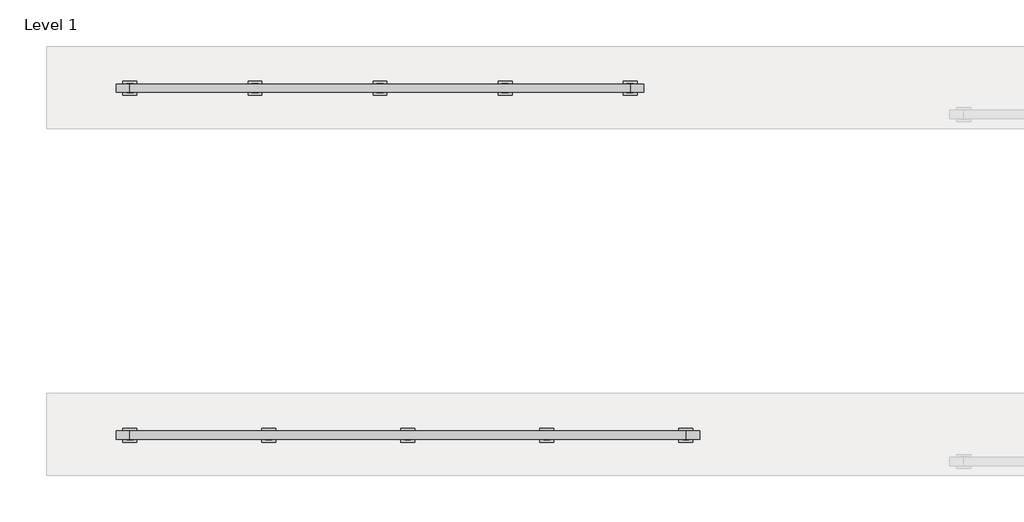
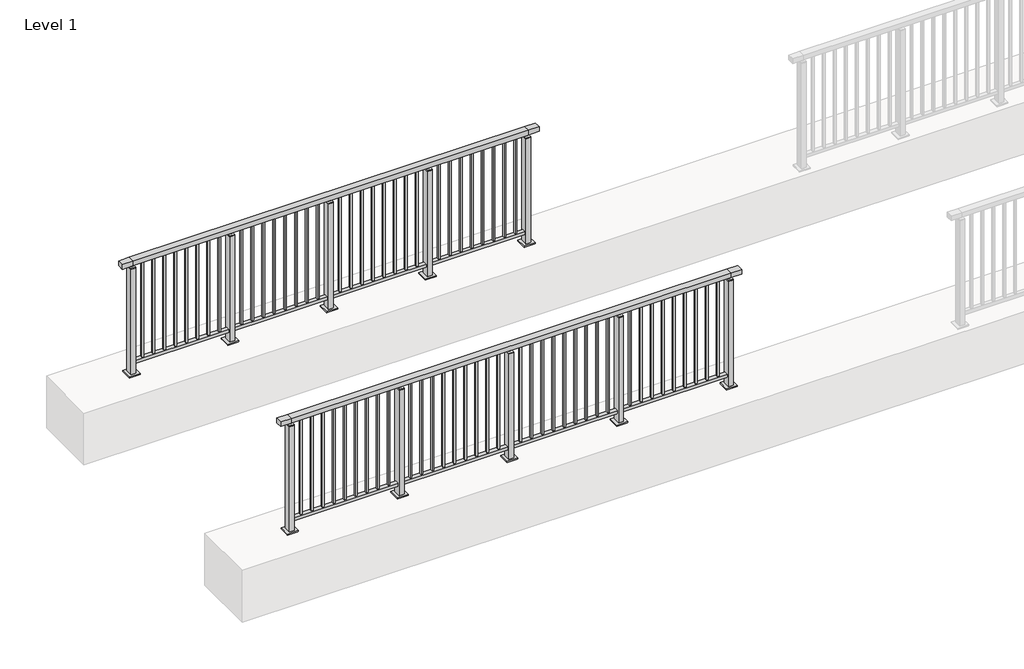
# One storey, part 12 of 37: 2 railings.
"""IFC4 building model written with IfcOpenShell, lengths in millimetres."""

from ifc_helpers import new_model, si_unit, frame, origin, origin_with_axes, place, context, project, spatial, polyline, outline, extrude, faceted_brep, element, save

model = new_model("IFC4")

# Units and contexts
model_context = context("Model", 3, world=origin())
ifc_project = project(units=[si_unit("LENGTHUNIT", "METRE", prefix="MILLI")], contexts=[model_context])

# Site, building, storey
site = spatial("IfcSite", under=ifc_project)
building = spatial("IfcBuilding", under=site)
storey = spatial("IfcBuildingStorey", under=building, Name="Level 1", Elevation=0.0)

# Railings
placement = place(None, origin())
element("IfcRailing", 1, at=placement, inside=storey, context=model_context, shape_type="SolidModel", body=[
    faceted_brep([(0.0, 17720.1846828, 1055.0), (0.0, 17720.1846828, 1100.0), (4000.0, 17720.1846828, 1100.0), (4000.0, 17720.1846828, 1055.0), (0.0, 17660.1846828, 1055.0), (4000.0, 17660.1846828, 1055.0), (0.0, 17660.1846828, 1100.0), (4000.0, 17660.1846828, 1100.0), (-100.0, 17720.1846828, 1100.0), (-100.0, 17720.1846828, 1055.0), (-100.0, 17660.1846828, 1055.0), (-100.0, 17660.1846828, 1100.0), (4100.0, 17720.1846828, 1100.0), (4100.0, 17660.1846828, 1100.0), (4100.0, 17660.1846828, 1055.0), (4100.0, 17720.1846828, 1055.0)], [[[0, 1, 2, 3]], [[4, 0, 3, 5]], [[6, 4, 5, 7]], [[1, 6, 7, 2]], [[8, 9, 10, 11]], [[9, 8, 1, 0]], [[10, 9, 0, 4]], [[11, 10, 4, 6]], [[8, 11, 6, 1]], [[12, 13, 14, 15]], [[3, 2, 12, 15]], [[5, 3, 15, 14]], [[7, 5, 14, 13]], [[2, 7, 13, 12]]]),
    extrude(outline(polyline([(0.0, 17672.6846828), (0.0, 17707.6846828), (4000.0, 17707.6846828), (4000.0, 17672.6846828), (0.0, 17672.6846828)])), frame((0.0, 0.0, 95.0), z_axis=(0.0, 0.0, 1.0), x_axis=(1.0, 0.0, 0.0)), (0.0, 0.0, 1.0), 30.0),
    extrude(outline(polyline([(3908.5, 17698.6846828), (3908.5, 17681.6846828), (3891.5, 17681.6846828), (3891.5, 17698.6846828), (3908.5, 17698.6846828)])), frame((0.0, 0.0, 125.0), z_axis=(0.0, 0.0, 1.0), x_axis=(1.0, 0.0, 0.0)), (0.0, 0.0, 1.0), 930.0),
    extrude(outline(polyline([(3808.5, 17698.6846828), (3808.5, 17681.6846828), (3791.5, 17681.6846828), (3791.5, 17698.6846828), (3808.5, 17698.6846828)])), frame((0.0, 0.0, 125.0), z_axis=(0.0, 0.0, 1.0), x_axis=(1.0, 0.0, 0.0)), (0.0, 0.0, 1.0), 930.0),
    extrude(outline(polyline([(3708.5, 17698.6846828), (3708.5, 17681.6846828), (3691.5, 17681.6846828), (3691.5, 17698.6846828), (3708.5, 17698.6846828)])), frame((0.0, 0.0, 125.0), z_axis=(0.0, 0.0, 1.0), x_axis=(1.0, 0.0, 0.0)), (0.0, 0.0, 1.0), 930.0),
    extrude(outline(polyline([(3608.5, 17698.6846828), (3608.5, 17681.6846828), (3591.5, 17681.6846828), (3591.5, 17698.6846828), (3608.5, 17698.6846828)])), frame((0.0, 0.0, 125.0), z_axis=(0.0, 0.0, 1.0), x_axis=(1.0, 0.0, 0.0)), (0.0, 0.0, 1.0), 930.0),
    extrude(outline(polyline([(3508.5, 17698.6846828), (3508.5, 17681.6846828), (3491.5, 17681.6846828), (3491.5, 17698.6846828), (3508.5, 17698.6846828)])), frame((0.0, 0.0, 125.0), z_axis=(0.0, 0.0, 1.0), x_axis=(1.0, 0.0, 0.0)), (0.0, 0.0, 1.0), 930.0),
    extrude(outline(polyline([(3408.5, 17698.6846828), (3408.5, 17681.6846828), (3391.5, 17681.6846828), (3391.5, 17698.6846828), (3408.5, 17698.6846828)])), frame((0.0, 0.0, 125.0), z_axis=(0.0, 0.0, 1.0), x_axis=(1.0, 0.0, 0.0)), (0.0, 0.0, 1.0), 930.0),
    extrude(outline(polyline([(3308.5, 17698.6846828), (3308.5, 17681.6846828), (3291.5, 17681.6846828), (3291.5, 17698.6846828), (3308.5, 17698.6846828)])), frame((0.0, 0.0, 125.0), z_axis=(0.0, 0.0, 1.0), x_axis=(1.0, 0.0, 0.0)), (0.0, 0.0, 1.0), 930.0),
    extrude(outline(polyline([(3208.5, 17698.6846828), (3208.5, 17681.6846828), (3191.5, 17681.6846828), (3191.5, 17698.6846828), (3208.5, 17698.6846828)])), frame((0.0, 0.0, 125.0), z_axis=(0.0, 0.0, 1.0), x_axis=(1.0, 0.0, 0.0)), (0.0, 0.0, 1.0), 930.0),
    extrude(outline(polyline([(3108.5, 17698.6846828), (3108.5, 17681.6846828), (3091.5, 17681.6846828), (3091.5, 17698.6846828), (3108.5, 17698.6846828)])), frame((0.0, 0.0, 125.0), z_axis=(0.0, 0.0, 1.0), x_axis=(1.0, 0.0, 0.0)), (0.0, 0.0, 1.0), 930.0),
    extrude(outline(polyline([(3010.0, 17680.1846828), (2990.0, 17680.1846828), (2990.0, 17700.1846828), (3010.0, 17700.1846828), (3010.0, 17680.1846828)])), frame((0.0, 0.0, 1035.0), z_axis=(0.0, 0.0, 1.0), x_axis=(1.0, 0.0, 0.0)), (0.0, 0.0, 1.0), 20.0),
    extrude(outline(polyline([(3022.5, 17657.6846828), (2977.5, 17657.6846828), (2977.5, 17722.6846828), (3022.5, 17722.6846828), (3022.5, 17657.6846828)])), frame((0.0, 0.0, 1027.0), z_axis=(0.0, 0.0, 1.0), x_axis=(1.0, 0.0, 0.0)), (0.0, 0.0, 1.0), 8.0),
    extrude(outline(polyline([(3050.0, 17640.1846828), (2950.0, 17640.1846828), (2950.0, 17740.1846828), (3050.0, 17740.1846828), (3050.0, 17640.1846828)])), origin_with_axes(), (0.0, 0.0, 1.0), 12.0),
    extrude(outline(polyline([(3022.5, 17657.6846828), (2977.5, 17657.6846828), (2977.5, 17722.6846828), (3022.5, 17722.6846828), (3022.5, 17657.6846828)])), frame((0.0, 0.0, 12.0), z_axis=(0.0, 0.0, 1.0), x_axis=(1.0, 0.0, 0.0)), (0.0, 0.0, 1.0), 1015.0),
    extrude(outline(polyline([(2908.5, 17698.6846828), (2908.5, 17681.6846828), (2891.5, 17681.6846828), (2891.5, 17698.6846828), (2908.5, 17698.6846828)])), frame((0.0, 0.0, 125.0), z_axis=(0.0, 0.0, 1.0), x_axis=(1.0, 0.0, 0.0)), (0.0, 0.0, 1.0), 930.0),
    extrude(outline(polyline([(2808.5, 17698.6846828), (2808.5, 17681.6846828), (2791.5, 17681.6846828), (2791.5, 17698.6846828), (2808.5, 17698.6846828)])), frame((0.0, 0.0, 125.0), z_axis=(0.0, 0.0, 1.0), x_axis=(1.0, 0.0, 0.0)), (0.0, 0.0, 1.0), 930.0),
    extrude(outline(polyline([(2708.5, 17698.6846828), (2708.5, 17681.6846828), (2691.5, 17681.6846828), (2691.5, 17698.6846828), (2708.5, 17698.6846828)])), frame((0.0, 0.0, 125.0), z_axis=(0.0, 0.0, 1.0), x_axis=(1.0, 0.0, 0.0)), (0.0, 0.0, 1.0), 930.0),
    extrude(outline(polyline([(2608.5, 17698.6846828), (2608.5, 17681.6846828), (2591.5, 17681.6846828), (2591.5, 17698.6846828), (2608.5, 17698.6846828)])), frame((0.0, 0.0, 125.0), z_axis=(0.0, 0.0, 1.0), x_axis=(1.0, 0.0, 0.0)), (0.0, 0.0, 1.0), 930.0),
    extrude(outline(polyline([(2508.5, 17698.6846828), (2508.5, 17681.6846828), (2491.5, 17681.6846828), (2491.5, 17698.6846828), (2508.5, 17698.6846828)])), frame((0.0, 0.0, 125.0), z_axis=(0.0, 0.0, 1.0), x_axis=(1.0, 0.0, 0.0)), (0.0, 0.0, 1.0), 930.0),
    extrude(outline(polyline([(2408.5, 17698.6846828), (2408.5, 17681.6846828), (2391.5, 17681.6846828), (2391.5, 17698.6846828), (2408.5, 17698.6846828)])), frame((0.0, 0.0, 125.0), z_axis=(0.0, 0.0, 1.0), x_axis=(1.0, 0.0, 0.0)), (0.0, 0.0, 1.0), 930.0),
    extrude(outline(polyline([(2308.5, 17698.6846828), (2308.5, 17681.6846828), (2291.5, 17681.6846828), (2291.5, 17698.6846828), (2308.5, 17698.6846828)])), frame((0.0, 0.0, 125.0), z_axis=(0.0, 0.0, 1.0), x_axis=(1.0, 0.0, 0.0)), (0.0, 0.0, 1.0), 930.0),
    extrude(outline(polyline([(2208.5, 17698.6846828), (2208.5, 17681.6846828), (2191.5, 17681.6846828), (2191.5, 17698.6846828), (2208.5, 17698.6846828)])), frame((0.0, 0.0, 125.0), z_axis=(0.0, 0.0, 1.0), x_axis=(1.0, 0.0, 0.0)), (0.0, 0.0, 1.0), 930.0),
    extrude(outline(polyline([(2108.5, 17698.6846828), (2108.5, 17681.6846828), (2091.5, 17681.6846828), (2091.5, 17698.6846828), (2108.5, 17698.6846828)])), frame((0.0, 0.0, 125.0), z_axis=(0.0, 0.0, 1.0), x_axis=(1.0, 0.0, 0.0)), (0.0, 0.0, 1.0), 930.0),
    extrude(outline(polyline([(2010.0, 17680.1846828), (1990.0, 17680.1846828), (1990.0, 17700.1846828), (2010.0, 17700.1846828), (2010.0, 17680.1846828)])), frame((0.0, 0.0, 1035.0), z_axis=(0.0, 0.0, 1.0), x_axis=(1.0, 0.0, 0.0)), (0.0, 0.0, 1.0), 20.0),
    extrude(outline(polyline([(2022.5, 17657.6846828), (1977.5, 17657.6846828), (1977.5, 17722.6846828), (2022.5, 17722.6846828), (2022.5, 17657.6846828)])), frame((0.0, 0.0, 1027.0), z_axis=(0.0, 0.0, 1.0), x_axis=(1.0, 0.0, 0.0)), (0.0, 0.0, 1.0), 8.0),
    extrude(outline(polyline([(2050.0, 17640.1846828), (1950.0, 17640.1846828), (1950.0, 17740.1846828), (2050.0, 17740.1846828), (2050.0, 17640.1846828)])), origin_with_axes(), (0.0, 0.0, 1.0), 12.0),
    extrude(outline(polyline([(2022.5, 17657.6846828), (1977.5, 17657.6846828), (1977.5, 17722.6846828), (2022.5, 17722.6846828), (2022.5, 17657.6846828)])), frame((0.0, 0.0, 12.0), z_axis=(0.0, 0.0, 1.0), x_axis=(1.0, 0.0, 0.0)), (0.0, 0.0, 1.0), 1015.0),
    extrude(outline(polyline([(1908.5, 17698.6846828), (1908.5, 17681.6846828), (1891.5, 17681.6846828), (1891.5, 17698.6846828), (1908.5, 17698.6846828)])), frame((0.0, 0.0, 125.0), z_axis=(0.0, 0.0, 1.0), x_axis=(1.0, 0.0, 0.0)), (0.0, 0.0, 1.0), 930.0),
    extrude(outline(polyline([(1808.5, 17698.6846828), (1808.5, 17681.6846828), (1791.5, 17681.6846828), (1791.5, 17698.6846828), (1808.5, 17698.6846828)])), frame((0.0, 0.0, 125.0), z_axis=(0.0, 0.0, 1.0), x_axis=(1.0, 0.0, 0.0)), (0.0, 0.0, 1.0), 930.0),
    extrude(outline(polyline([(1708.5, 17698.6846828), (1708.5, 17681.6846828), (1691.5, 17681.6846828), (1691.5, 17698.6846828), (1708.5, 17698.6846828)])), frame((0.0, 0.0, 125.0), z_axis=(0.0, 0.0, 1.0), x_axis=(1.0, 0.0, 0.0)), (0.0, 0.0, 1.0), 930.0),
    extrude(outline(polyline([(1608.5, 17698.6846828), (1608.5, 17681.6846828), (1591.5, 17681.6846828), (1591.5, 17698.6846828), (1608.5, 17698.6846828)])), frame((0.0, 0.0, 125.0), z_axis=(0.0, 0.0, 1.0), x_axis=(1.0, 0.0, 0.0)), (0.0, 0.0, 1.0), 930.0),
    extrude(outline(polyline([(1508.5, 17698.6846828), (1508.5, 17681.6846828), (1491.5, 17681.6846828), (1491.5, 17698.6846828), (1508.5, 17698.6846828)])), frame((0.0, 0.0, 125.0), z_axis=(0.0, 0.0, 1.0), x_axis=(1.0, 0.0, 0.0)), (0.0, 0.0, 1.0), 930.0),
    extrude(outline(polyline([(1408.5, 17698.6846828), (1408.5, 17681.6846828), (1391.5, 17681.6846828), (1391.5, 17698.6846828), (1408.5, 17698.6846828)])), frame((0.0, 0.0, 125.0), z_axis=(0.0, 0.0, 1.0), x_axis=(1.0, 0.0, 0.0)), (0.0, 0.0, 1.0), 930.0),
    extrude(outline(polyline([(1308.5, 17698.6846828), (1308.5, 17681.6846828), (1291.5, 17681.6846828), (1291.5, 17698.6846828), (1308.5, 17698.6846828)])), frame((0.0, 0.0, 125.0), z_axis=(0.0, 0.0, 1.0), x_axis=(1.0, 0.0, 0.0)), (0.0, 0.0, 1.0), 930.0),
    extrude(outline(polyline([(1208.5, 17698.6846828), (1208.5, 17681.6846828), (1191.5, 17681.6846828), (1191.5, 17698.6846828), (1208.5, 17698.6846828)])), frame((0.0, 0.0, 125.0), z_axis=(0.0, 0.0, 1.0), x_axis=(1.0, 0.0, 0.0)), (0.0, 0.0, 1.0), 930.0),
    extrude(outline(polyline([(1108.5, 17698.6846828), (1108.5, 17681.6846828), (1091.5, 17681.6846828), (1091.5, 17698.6846828), (1108.5, 17698.6846828)])), frame((0.0, 0.0, 125.0), z_axis=(0.0, 0.0, 1.0), x_axis=(1.0, 0.0, 0.0)), (0.0, 0.0, 1.0), 930.0),
    extrude(outline(polyline([(1010.0, 17680.1846828), (990.0, 17680.1846828), (990.0, 17700.1846828), (1010.0, 17700.1846828), (1010.0, 17680.1846828)])), frame((0.0, 0.0, 1035.0), z_axis=(0.0, 0.0, 1.0), x_axis=(1.0, 0.0, 0.0)), (0.0, 0.0, 1.0), 20.0),
    extrude(outline(polyline([(1022.5, 17657.6846828), (977.5, 17657.6846828), (977.5, 17722.6846828), (1022.5, 17722.6846828), (1022.5, 17657.6846828)])), frame((0.0, 0.0, 1027.0), z_axis=(0.0, 0.0, 1.0), x_axis=(1.0, 0.0, 0.0)), (0.0, 0.0, 1.0), 8.0),
    extrude(outline(polyline([(1050.0, 17640.1846828), (950.0, 17640.1846828), (950.0, 17740.1846828), (1050.0, 17740.1846828), (1050.0, 17640.1846828)])), origin_with_axes(), (0.0, 0.0, 1.0), 12.0),
    extrude(outline(polyline([(1022.5, 17657.6846828), (977.5, 17657.6846828), (977.5, 17722.6846828), (1022.5, 17722.6846828), (1022.5, 17657.6846828)])), frame((0.0, 0.0, 12.0), z_axis=(0.0, 0.0, 1.0), x_axis=(1.0, 0.0, 0.0)), (0.0, 0.0, 1.0), 1015.0),
    extrude(outline(polyline([(908.5, 17698.6846828), (908.5, 17681.6846828), (891.5, 17681.6846828), (891.5, 17698.6846828), (908.5, 17698.6846828)])), frame((0.0, 0.0, 125.0), z_axis=(0.0, 0.0, 1.0), x_axis=(1.0, 0.0, 0.0)), (0.0, 0.0, 1.0), 930.0),
    extrude(outline(polyline([(808.5, 17698.6846828), (808.5, 17681.6846828), (791.5, 17681.6846828), (791.5, 17698.6846828), (808.5, 17698.6846828)])), frame((0.0, 0.0, 125.0), z_axis=(0.0, 0.0, 1.0), x_axis=(1.0, 0.0, 0.0)), (0.0, 0.0, 1.0), 930.0),
    extrude(outline(polyline([(708.5, 17698.6846828), (708.5, 17681.6846828), (691.5, 17681.6846828), (691.5, 17698.6846828), (708.5, 17698.6846828)])), frame((0.0, 0.0, 125.0), z_axis=(0.0, 0.0, 1.0), x_axis=(1.0, 0.0, 0.0)), (0.0, 0.0, 1.0), 930.0),
    extrude(outline(polyline([(608.5, 17698.6846828), (608.5, 17681.6846828), (591.5, 17681.6846828), (591.5, 17698.6846828), (608.5, 17698.6846828)])), frame((0.0, 0.0, 125.0), z_axis=(0.0, 0.0, 1.0), x_axis=(1.0, 0.0, 0.0)), (0.0, 0.0, 1.0), 930.0),
    extrude(outline(polyline([(508.5, 17698.6846828), (508.5, 17681.6846828), (491.5, 17681.6846828), (491.5, 17698.6846828), (508.5, 17698.6846828)])), frame((0.0, 0.0, 125.0), z_axis=(0.0, 0.0, 1.0), x_axis=(1.0, 0.0, 0.0)), (0.0, 0.0, 1.0), 930.0),
    extrude(outline(polyline([(408.5, 17698.6846828), (408.5, 17681.6846828), (391.5, 17681.6846828), (391.5, 17698.6846828), (408.5, 17698.6846828)])), frame((0.0, 0.0, 125.0), z_axis=(0.0, 0.0, 1.0), x_axis=(1.0, 0.0, 0.0)), (0.0, 0.0, 1.0), 930.0),
    extrude(outline(polyline([(308.5, 17698.6846828), (308.5, 17681.6846828), (291.5, 17681.6846828), (291.5, 17698.6846828), (308.5, 17698.6846828)])), frame((0.0, 0.0, 125.0), z_axis=(0.0, 0.0, 1.0), x_axis=(1.0, 0.0, 0.0)), (0.0, 0.0, 1.0), 930.0),
    extrude(outline(polyline([(208.5, 17698.6846828), (208.5, 17681.6846828), (191.5, 17681.6846828), (191.5, 17698.6846828), (208.5, 17698.6846828)])), frame((0.0, 0.0, 125.0), z_axis=(0.0, 0.0, 1.0), x_axis=(1.0, 0.0, 0.0)), (0.0, 0.0, 1.0), 930.0),
    extrude(outline(polyline([(108.5, 17698.6846828), (108.5, 17681.6846828), (91.5, 17681.6846828), (91.5, 17698.6846828), (108.5, 17698.6846828)])), frame((0.0, 0.0, 125.0), z_axis=(0.0, 0.0, 1.0), x_axis=(1.0, 0.0, 0.0)), (0.0, 0.0, 1.0), 930.0),
    extrude(outline(polyline([(4010.0, 17680.1846828), (3990.0, 17680.1846828), (3990.0, 17700.1846828), (4010.0, 17700.1846828), (4010.0, 17680.1846828)])), frame((0.0, 0.0, 1035.0), z_axis=(0.0, 0.0, 1.0), x_axis=(1.0, 0.0, 0.0)), (0.0, 0.0, 1.0), 20.0),
    extrude(outline(polyline([(4022.5, 17657.6846828), (3977.5, 17657.6846828), (3977.5, 17722.6846828), (4022.5, 17722.6846828), (4022.5, 17657.6846828)])), frame((0.0, 0.0, 1027.0), z_axis=(0.0, 0.0, 1.0), x_axis=(1.0, 0.0, 0.0)), (0.0, 0.0, 1.0), 8.0),
    extrude(outline(polyline([(4050.0, 17640.1846828), (3950.0, 17640.1846828), (3950.0, 17740.1846828), (4050.0, 17740.1846828), (4050.0, 17640.1846828)])), origin_with_axes(), (0.0, 0.0, 1.0), 12.0),
    extrude(outline(polyline([(4022.5, 17657.6846828), (3977.5, 17657.6846828), (3977.5, 17722.6846828), (4022.5, 17722.6846828), (4022.5, 17657.6846828)])), frame((0.0, 0.0, 12.0), z_axis=(0.0, 0.0, 1.0), x_axis=(1.0, 0.0, 0.0)), (0.0, 0.0, 1.0), 1015.0),
    extrude(outline(polyline([(10.0, 17680.1846828), (-10.0, 17680.1846828), (-10.0, 17700.1846828), (10.0, 17700.1846828), (10.0, 17680.1846828)])), frame((0.0, 0.0, 1035.0), z_axis=(0.0, 0.0, 1.0), x_axis=(1.0, 0.0, 0.0)), (0.0, 0.0, 1.0), 20.0),
    extrude(outline(polyline([(22.5, 17657.6846828), (-22.5, 17657.6846828), (-22.5, 17722.6846828), (22.5, 17722.6846828), (22.5, 17657.6846828)])), frame((0.0, 0.0, 1027.0), z_axis=(0.0, 0.0, 1.0), x_axis=(1.0, 0.0, 0.0)), (0.0, 0.0, 1.0), 8.0),
    extrude(outline(polyline([(50.0, 17640.1846828), (-50.0, 17640.1846828), (-50.0, 17740.1846828), (50.0, 17740.1846828), (50.0, 17640.1846828)])), origin_with_axes(), (0.0, 0.0, 1.0), 12.0),
    extrude(outline(polyline([(22.5, 17657.6846828), (-22.5, 17657.6846828), (-22.5, 17722.6846828), (22.5, 17722.6846828), (22.5, 17657.6846828)])), frame((0.0, 0.0, 12.0), z_axis=(0.0, 0.0, 1.0), x_axis=(1.0, 0.0, 0.0)), (0.0, 0.0, 1.0), 1015.0),
])
element("IfcRailing", 2, at=placement, inside=storey, context=model_context, shape_type="SolidModel", body=[
    faceted_brep([(0.0, 20220.1846828, 1055.0), (0.0, 20220.1846828, 1100.0), (3600.0, 20220.1846828, 1100.0), (3600.0, 20220.1846828, 1055.0), (0.0, 20160.1846828, 1055.0), (3600.0, 20160.1846828, 1055.0), (0.0, 20160.1846828, 1100.0), (3600.0, 20160.1846828, 1100.0), (-100.0, 20220.1846828, 1100.0), (-100.0, 20220.1846828, 1055.0), (-100.0, 20160.1846828, 1055.0), (-100.0, 20160.1846828, 1100.0), (3700.0, 20220.1846828, 1100.0), (3700.0, 20160.1846828, 1100.0), (3700.0, 20160.1846828, 1055.0), (3700.0, 20220.1846828, 1055.0)], [[[0, 1, 2, 3]], [[4, 0, 3, 5]], [[6, 4, 5, 7]], [[1, 6, 7, 2]], [[8, 9, 10, 11]], [[9, 8, 1, 0]], [[10, 9, 0, 4]], [[11, 10, 4, 6]], [[8, 11, 6, 1]], [[12, 13, 14, 15]], [[3, 2, 12, 15]], [[5, 3, 15, 14]], [[7, 5, 14, 13]], [[2, 7, 13, 12]]]),
    extrude(outline(polyline([(0.0, 20172.6846828), (0.0, 20207.6846828), (3600.0, 20207.6846828), (3600.0, 20172.6846828), (0.0, 20172.6846828)])), frame((0.0, 0.0, 95.0), z_axis=(0.0, 0.0, 1.0), x_axis=(1.0, 0.0, 0.0)), (0.0, 0.0, 1.0), 30.0),
    extrude(outline(polyline([(3508.5, 20198.6846828), (3508.5, 20181.6846828), (3491.5, 20181.6846828), (3491.5, 20198.6846828), (3508.5, 20198.6846828)])), frame((0.0, 0.0, 125.0), z_axis=(0.0, 0.0, 1.0), x_axis=(1.0, 0.0, 0.0)), (0.0, 0.0, 1.0), 930.0),
    extrude(outline(polyline([(3408.5, 20198.6846828), (3408.5, 20181.6846828), (3391.5, 20181.6846828), (3391.5, 20198.6846828), (3408.5, 20198.6846828)])), frame((0.0, 0.0, 125.0), z_axis=(0.0, 0.0, 1.0), x_axis=(1.0, 0.0, 0.0)), (0.0, 0.0, 1.0), 930.0),
    extrude(outline(polyline([(3308.5, 20198.6846828), (3308.5, 20181.6846828), (3291.5, 20181.6846828), (3291.5, 20198.6846828), (3308.5, 20198.6846828)])), frame((0.0, 0.0, 125.0), z_axis=(0.0, 0.0, 1.0), x_axis=(1.0, 0.0, 0.0)), (0.0, 0.0, 1.0), 930.0),
    extrude(outline(polyline([(3208.5, 20198.6846828), (3208.5, 20181.6846828), (3191.5, 20181.6846828), (3191.5, 20198.6846828), (3208.5, 20198.6846828)])), frame((0.0, 0.0, 125.0), z_axis=(0.0, 0.0, 1.0), x_axis=(1.0, 0.0, 0.0)), (0.0, 0.0, 1.0), 930.0),
    extrude(outline(polyline([(3108.5, 20198.6846828), (3108.5, 20181.6846828), (3091.5, 20181.6846828), (3091.5, 20198.6846828), (3108.5, 20198.6846828)])), frame((0.0, 0.0, 125.0), z_axis=(0.0, 0.0, 1.0), x_axis=(1.0, 0.0, 0.0)), (0.0, 0.0, 1.0), 930.0),
    extrude(outline(polyline([(3008.5, 20198.6846828), (3008.5, 20181.6846828), (2991.5, 20181.6846828), (2991.5, 20198.6846828), (3008.5, 20198.6846828)])), frame((0.0, 0.0, 125.0), z_axis=(0.0, 0.0, 1.0), x_axis=(1.0, 0.0, 0.0)), (0.0, 0.0, 1.0), 930.0),
    extrude(outline(polyline([(2908.5, 20198.6846828), (2908.5, 20181.6846828), (2891.5, 20181.6846828), (2891.5, 20198.6846828), (2908.5, 20198.6846828)])), frame((0.0, 0.0, 125.0), z_axis=(0.0, 0.0, 1.0), x_axis=(1.0, 0.0, 0.0)), (0.0, 0.0, 1.0), 930.0),
    extrude(outline(polyline([(2808.5, 20198.6846828), (2808.5, 20181.6846828), (2791.5, 20181.6846828), (2791.5, 20198.6846828), (2808.5, 20198.6846828)])), frame((0.0, 0.0, 125.0), z_axis=(0.0, 0.0, 1.0), x_axis=(1.0, 0.0, 0.0)), (0.0, 0.0, 1.0), 930.0),
    extrude(outline(polyline([(2710.0, 20180.1846828), (2690.0, 20180.1846828), (2690.0, 20200.1846828), (2710.0, 20200.1846828), (2710.0, 20180.1846828)])), frame((0.0, 0.0, 1035.0), z_axis=(0.0, 0.0, 1.0), x_axis=(1.0, 0.0, 0.0)), (0.0, 0.0, 1.0), 20.0),
    extrude(outline(polyline([(2722.5, 20157.6846828), (2677.5, 20157.6846828), (2677.5, 20222.6846828), (2722.5, 20222.6846828), (2722.5, 20157.6846828)])), frame((0.0, 0.0, 1027.0), z_axis=(0.0, 0.0, 1.0), x_axis=(1.0, 0.0, 0.0)), (0.0, 0.0, 1.0), 8.0),
    extrude(outline(polyline([(2750.0, 20140.1846828), (2650.0, 20140.1846828), (2650.0, 20240.1846828), (2750.0, 20240.1846828), (2750.0, 20140.1846828)])), origin_with_axes(), (0.0, 0.0, 1.0), 12.0),
    extrude(outline(polyline([(2722.5, 20157.6846828), (2677.5, 20157.6846828), (2677.5, 20222.6846828), (2722.5, 20222.6846828), (2722.5, 20157.6846828)])), frame((0.0, 0.0, 12.0), z_axis=(0.0, 0.0, 1.0), x_axis=(1.0, 0.0, 0.0)), (0.0, 0.0, 1.0), 1015.0),
    extrude(outline(polyline([(2608.5, 20198.6846828), (2608.5, 20181.6846828), (2591.5, 20181.6846828), (2591.5, 20198.6846828), (2608.5, 20198.6846828)])), frame((0.0, 0.0, 125.0), z_axis=(0.0, 0.0, 1.0), x_axis=(1.0, 0.0, 0.0)), (0.0, 0.0, 1.0), 930.0),
    extrude(outline(polyline([(2508.5, 20198.6846828), (2508.5, 20181.6846828), (2491.5, 20181.6846828), (2491.5, 20198.6846828), (2508.5, 20198.6846828)])), frame((0.0, 0.0, 125.0), z_axis=(0.0, 0.0, 1.0), x_axis=(1.0, 0.0, 0.0)), (0.0, 0.0, 1.0), 930.0),
    extrude(outline(polyline([(2408.5, 20198.6846828), (2408.5, 20181.6846828), (2391.5, 20181.6846828), (2391.5, 20198.6846828), (2408.5, 20198.6846828)])), frame((0.0, 0.0, 125.0), z_axis=(0.0, 0.0, 1.0), x_axis=(1.0, 0.0, 0.0)), (0.0, 0.0, 1.0), 930.0),
    extrude(outline(polyline([(2308.5, 20198.6846828), (2308.5, 20181.6846828), (2291.5, 20181.6846828), (2291.5, 20198.6846828), (2308.5, 20198.6846828)])), frame((0.0, 0.0, 125.0), z_axis=(0.0, 0.0, 1.0), x_axis=(1.0, 0.0, 0.0)), (0.0, 0.0, 1.0), 930.0),
    extrude(outline(polyline([(2208.5, 20198.6846828), (2208.5, 20181.6846828), (2191.5, 20181.6846828), (2191.5, 20198.6846828), (2208.5, 20198.6846828)])), frame((0.0, 0.0, 125.0), z_axis=(0.0, 0.0, 1.0), x_axis=(1.0, 0.0, 0.0)), (0.0, 0.0, 1.0), 930.0),
    extrude(outline(polyline([(2108.5, 20198.6846828), (2108.5, 20181.6846828), (2091.5, 20181.6846828), (2091.5, 20198.6846828), (2108.5, 20198.6846828)])), frame((0.0, 0.0, 125.0), z_axis=(0.0, 0.0, 1.0), x_axis=(1.0, 0.0, 0.0)), (0.0, 0.0, 1.0), 930.0),
    extrude(outline(polyline([(2008.5, 20198.6846828), (2008.5, 20181.6846828), (1991.5, 20181.6846828), (1991.5, 20198.6846828), (2008.5, 20198.6846828)])), frame((0.0, 0.0, 125.0), z_axis=(0.0, 0.0, 1.0), x_axis=(1.0, 0.0, 0.0)), (0.0, 0.0, 1.0), 930.0),
    extrude(outline(polyline([(1908.5, 20198.6846828), (1908.5, 20181.6846828), (1891.5, 20181.6846828), (1891.5, 20198.6846828), (1908.5, 20198.6846828)])), frame((0.0, 0.0, 125.0), z_axis=(0.0, 0.0, 1.0), x_axis=(1.0, 0.0, 0.0)), (0.0, 0.0, 1.0), 930.0),
    extrude(outline(polyline([(1810.0, 20180.1846828), (1790.0, 20180.1846828), (1790.0, 20200.1846828), (1810.0, 20200.1846828), (1810.0, 20180.1846828)])), frame((0.0, 0.0, 1035.0), z_axis=(0.0, 0.0, 1.0), x_axis=(1.0, 0.0, 0.0)), (0.0, 0.0, 1.0), 20.0),
    extrude(outline(polyline([(1822.5, 20157.6846828), (1777.5, 20157.6846828), (1777.5, 20222.6846828), (1822.5, 20222.6846828), (1822.5, 20157.6846828)])), frame((0.0, 0.0, 1027.0), z_axis=(0.0, 0.0, 1.0), x_axis=(1.0, 0.0, 0.0)), (0.0, 0.0, 1.0), 8.0),
    extrude(outline(polyline([(1850.0, 20140.1846828), (1750.0, 20140.1846828), (1750.0, 20240.1846828), (1850.0, 20240.1846828), (1850.0, 20140.1846828)])), origin_with_axes(), (0.0, 0.0, 1.0), 12.0),
    extrude(outline(polyline([(1822.5, 20157.6846828), (1777.5, 20157.6846828), (1777.5, 20222.6846828), (1822.5, 20222.6846828), (1822.5, 20157.6846828)])), frame((0.0, 0.0, 12.0), z_axis=(0.0, 0.0, 1.0), x_axis=(1.0, 0.0, 0.0)), (0.0, 0.0, 1.0), 1015.0),
    extrude(outline(polyline([(1708.5, 20198.6846828), (1708.5, 20181.6846828), (1691.5, 20181.6846828), (1691.5, 20198.6846828), (1708.5, 20198.6846828)])), frame((0.0, 0.0, 125.0), z_axis=(0.0, 0.0, 1.0), x_axis=(1.0, 0.0, 0.0)), (0.0, 0.0, 1.0), 930.0),
    extrude(outline(polyline([(1608.5, 20198.6846828), (1608.5, 20181.6846828), (1591.5, 20181.6846828), (1591.5, 20198.6846828), (1608.5, 20198.6846828)])), frame((0.0, 0.0, 125.0), z_axis=(0.0, 0.0, 1.0), x_axis=(1.0, 0.0, 0.0)), (0.0, 0.0, 1.0), 930.0),
    extrude(outline(polyline([(1508.5, 20198.6846828), (1508.5, 20181.6846828), (1491.5, 20181.6846828), (1491.5, 20198.6846828), (1508.5, 20198.6846828)])), frame((0.0, 0.0, 125.0), z_axis=(0.0, 0.0, 1.0), x_axis=(1.0, 0.0, 0.0)), (0.0, 0.0, 1.0), 930.0),
    extrude(outline(polyline([(1408.5, 20198.6846828), (1408.5, 20181.6846828), (1391.5, 20181.6846828), (1391.5, 20198.6846828), (1408.5, 20198.6846828)])), frame((0.0, 0.0, 125.0), z_axis=(0.0, 0.0, 1.0), x_axis=(1.0, 0.0, 0.0)), (0.0, 0.0, 1.0), 930.0),
    extrude(outline(polyline([(1308.5, 20198.6846828), (1308.5, 20181.6846828), (1291.5, 20181.6846828), (1291.5, 20198.6846828), (1308.5, 20198.6846828)])), frame((0.0, 0.0, 125.0), z_axis=(0.0, 0.0, 1.0), x_axis=(1.0, 0.0, 0.0)), (0.0, 0.0, 1.0), 930.0),
    extrude(outline(polyline([(1208.5, 20198.6846828), (1208.5, 20181.6846828), (1191.5, 20181.6846828), (1191.5, 20198.6846828), (1208.5, 20198.6846828)])), frame((0.0, 0.0, 125.0), z_axis=(0.0, 0.0, 1.0), x_axis=(1.0, 0.0, 0.0)), (0.0, 0.0, 1.0), 930.0),
    extrude(outline(polyline([(1108.5, 20198.6846828), (1108.5, 20181.6846828), (1091.5, 20181.6846828), (1091.5, 20198.6846828), (1108.5, 20198.6846828)])), frame((0.0, 0.0, 125.0), z_axis=(0.0, 0.0, 1.0), x_axis=(1.0, 0.0, 0.0)), (0.0, 0.0, 1.0), 930.0),
    extrude(outline(polyline([(1008.5, 20198.6846828), (1008.5, 20181.6846828), (991.5, 20181.6846828), (991.5, 20198.6846828), (1008.5, 20198.6846828)])), frame((0.0, 0.0, 125.0), z_axis=(0.0, 0.0, 1.0), x_axis=(1.0, 0.0, 0.0)), (0.0, 0.0, 1.0), 930.0),
    extrude(outline(polyline([(910.0, 20180.1846828), (890.0, 20180.1846828), (890.0, 20200.1846828), (910.0, 20200.1846828), (910.0, 20180.1846828)])), frame((0.0, 0.0, 1035.0), z_axis=(0.0, 0.0, 1.0), x_axis=(1.0, 0.0, 0.0)), (0.0, 0.0, 1.0), 20.0),
    extrude(outline(polyline([(922.5, 20157.6846828), (877.5, 20157.6846828), (877.5, 20222.6846828), (922.5, 20222.6846828), (922.5, 20157.6846828)])), frame((0.0, 0.0, 1027.0), z_axis=(0.0, 0.0, 1.0), x_axis=(1.0, 0.0, 0.0)), (0.0, 0.0, 1.0), 8.0),
    extrude(outline(polyline([(950.0, 20140.1846828), (850.0, 20140.1846828), (850.0, 20240.1846828), (950.0, 20240.1846828), (950.0, 20140.1846828)])), origin_with_axes(), (0.0, 0.0, 1.0), 12.0),
    extrude(outline(polyline([(922.5, 20157.6846828), (877.5, 20157.6846828), (877.5, 20222.6846828), (922.5, 20222.6846828), (922.5, 20157.6846828)])), frame((0.0, 0.0, 12.0), z_axis=(0.0, 0.0, 1.0), x_axis=(1.0, 0.0, 0.0)), (0.0, 0.0, 1.0), 1015.0),
    extrude(outline(polyline([(808.5, 20198.6846828), (808.5, 20181.6846828), (791.5, 20181.6846828), (791.5, 20198.6846828), (808.5, 20198.6846828)])), frame((0.0, 0.0, 125.0), z_axis=(0.0, 0.0, 1.0), x_axis=(1.0, 0.0, 0.0)), (0.0, 0.0, 1.0), 930.0),
    extrude(outline(polyline([(708.5, 20198.6846828), (708.5, 20181.6846828), (691.5, 20181.6846828), (691.5, 20198.6846828), (708.5, 20198.6846828)])), frame((0.0, 0.0, 125.0), z_axis=(0.0, 0.0, 1.0), x_axis=(1.0, 0.0, 0.0)), (0.0, 0.0, 1.0), 930.0),
    extrude(outline(polyline([(608.5, 20198.6846828), (608.5, 20181.6846828), (591.5, 20181.6846828), (591.5, 20198.6846828), (608.5, 20198.6846828)])), frame((0.0, 0.0, 125.0), z_axis=(0.0, 0.0, 1.0), x_axis=(1.0, 0.0, 0.0)), (0.0, 0.0, 1.0), 930.0),
    extrude(outline(polyline([(508.5, 20198.6846828), (508.5, 20181.6846828), (491.5, 20181.6846828), (491.5, 20198.6846828), (508.5, 20198.6846828)])), frame((0.0, 0.0, 125.0), z_axis=(0.0, 0.0, 1.0), x_axis=(1.0, 0.0, 0.0)), (0.0, 0.0, 1.0), 930.0),
    extrude(outline(polyline([(408.5, 20198.6846828), (408.5, 20181.6846828), (391.5, 20181.6846828), (391.5, 20198.6846828), (408.5, 20198.6846828)])), frame((0.0, 0.0, 125.0), z_axis=(0.0, 0.0, 1.0), x_axis=(1.0, 0.0, 0.0)), (0.0, 0.0, 1.0), 930.0),
    extrude(outline(polyline([(308.5, 20198.6846828), (308.5, 20181.6846828), (291.5, 20181.6846828), (291.5, 20198.6846828), (308.5, 20198.6846828)])), frame((0.0, 0.0, 125.0), z_axis=(0.0, 0.0, 1.0), x_axis=(1.0, 0.0, 0.0)), (0.0, 0.0, 1.0), 930.0),
    extrude(outline(polyline([(208.5, 20198.6846828), (208.5, 20181.6846828), (191.5, 20181.6846828), (191.5, 20198.6846828), (208.5, 20198.6846828)])), frame((0.0, 0.0, 125.0), z_axis=(0.0, 0.0, 1.0), x_axis=(1.0, 0.0, 0.0)), (0.0, 0.0, 1.0), 930.0),
    extrude(outline(polyline([(108.5, 20198.6846828), (108.5, 20181.6846828), (91.5, 20181.6846828), (91.5, 20198.6846828), (108.5, 20198.6846828)])), frame((0.0, 0.0, 125.0), z_axis=(0.0, 0.0, 1.0), x_axis=(1.0, 0.0, 0.0)), (0.0, 0.0, 1.0), 930.0),
    extrude(outline(polyline([(3610.0, 20180.1846828), (3590.0, 20180.1846828), (3590.0, 20200.1846828), (3610.0, 20200.1846828), (3610.0, 20180.1846828)])), frame((0.0, 0.0, 1035.0), z_axis=(0.0, 0.0, 1.0), x_axis=(1.0, 0.0, 0.0)), (0.0, 0.0, 1.0), 20.0),
    extrude(outline(polyline([(3622.5, 20157.6846828), (3577.5, 20157.6846828), (3577.5, 20222.6846828), (3622.5, 20222.6846828), (3622.5, 20157.6846828)])), frame((0.0, 0.0, 1027.0), z_axis=(0.0, 0.0, 1.0), x_axis=(1.0, 0.0, 0.0)), (0.0, 0.0, 1.0), 8.0),
    extrude(outline(polyline([(3650.0, 20140.1846828), (3550.0, 20140.1846828), (3550.0, 20240.1846828), (3650.0, 20240.1846828), (3650.0, 20140.1846828)])), origin_with_axes(), (0.0, 0.0, 1.0), 12.0),
    extrude(outline(polyline([(3622.5, 20157.6846828), (3577.5, 20157.6846828), (3577.5, 20222.6846828), (3622.5, 20222.6846828), (3622.5, 20157.6846828)])), frame((0.0, 0.0, 12.0), z_axis=(0.0, 0.0, 1.0), x_axis=(1.0, 0.0, 0.0)), (0.0, 0.0, 1.0), 1015.0),
    extrude(outline(polyline([(10.0, 20180.1846828), (-10.0, 20180.1846828), (-10.0, 20200.1846828), (10.0, 20200.1846828), (10.0, 20180.1846828)])), frame((0.0, 0.0, 1035.0), z_axis=(0.0, 0.0, 1.0), x_axis=(1.0, 0.0, 0.0)), (0.0, 0.0, 1.0), 20.0),
    extrude(outline(polyline([(22.5, 20157.6846828), (-22.5, 20157.6846828), (-22.5, 20222.6846828), (22.5, 20222.6846828), (22.5, 20157.6846828)])), frame((0.0, 0.0, 1027.0), z_axis=(0.0, 0.0, 1.0), x_axis=(1.0, 0.0, 0.0)), (0.0, 0.0, 1.0), 8.0),
    extrude(outline(polyline([(50.0, 20140.1846828), (-50.0, 20140.1846828), (-50.0, 20240.1846828), (50.0, 20240.1846828), (50.0, 20140.1846828)])), origin_with_axes(), (0.0, 0.0, 1.0), 12.0),
    extrude(outline(polyline([(22.5, 20157.6846828), (-22.5, 20157.6846828), (-22.5, 20222.6846828), (22.5, 20222.6846828), (22.5, 20157.6846828)])), frame((0.0, 0.0, 12.0), z_axis=(0.0, 0.0, 1.0), x_axis=(1.0, 0.0, 0.0)), (0.0, 0.0, 1.0), 1015.0),
])

save(model, "model.ifc")
